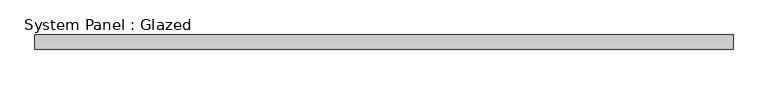
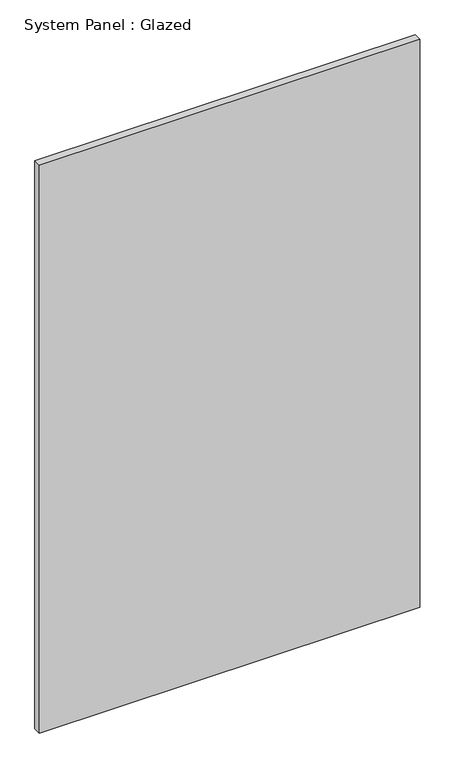
"""IFC4 building model written with IfcOpenShell, lengths in millimetres: plate geometry, System Panel : Glazed."""

from ifc_helpers import new_model, si_unit, origin, origin_with_axes, place, context, project, spatial, polyline, outline, extrude, source, transform, mapped, element, save


def system_panel_glazed_9f074ca5(model_context):
    return source(origin(), model_context, "Body", "SweptSolid", [
        extrude(outline(polyline([(608.9698783, -44.45), (-608.9698783, -44.45), (-608.9698783, -19.05), (608.9698783, -19.05), (608.9698783, -44.45)])), origin_with_axes(), (0.0, 0.0, 1.0), 1923.2),
    ])


if __name__ == "__main__":
    model = new_model("IFC4")
    model_context = context("Model", 3, world=origin())
    ifc_project = project(units=[si_unit("LENGTHUNIT", "METRE", prefix="MILLI")], contexts=[model_context])
    site = spatial("IfcSite", under=ifc_project)
    building = spatial("IfcBuilding", under=site)
    placement = place(None, origin())
    system_panel_glazed_shape = system_panel_glazed_9f074ca5(model_context)
    element("IfcPlate", 1, ObjectType="System Panel : Glazed", at=placement, inside=building, context=model_context, shape_type="MappedRepresentation", body=[
        mapped(system_panel_glazed_shape, transform((0.0, 0.0, 0.0), x_axis=(1.0, 0.0, 0.0), y_axis=(0.0, 1.0, 0.0), z_axis=(0.0, 0.0, 1.0))),
    ])
    save(model, "model.ifc")
